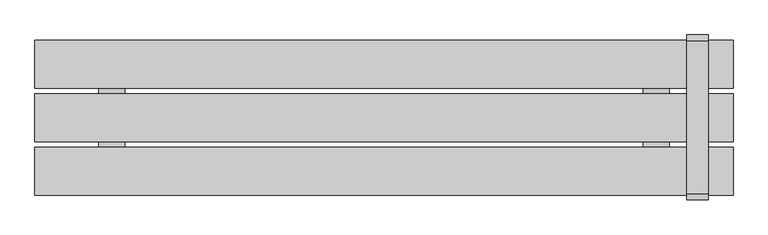
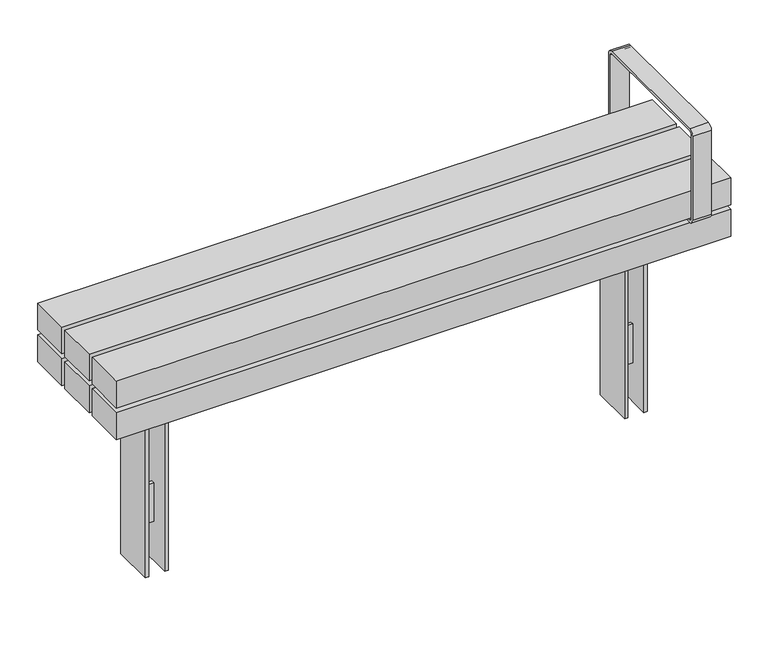
"""IFC4 building model written with IfcOpenShell, lengths in millimetres: furniture geometry."""

import ifcopenshell
import ifcopenshell.guid

model = None  # the IFC model being written
_history = None  # IfcOwnerHistory: only IFC2X3 demands one
_inside = {}  # id of a spatial element -> (the spatial element, [elements in it])
_under = {}  # id of a project, library or spatial element -> (it, [spatial elements below it])
_declared = {}  # id of a project -> (the project, [libraries it declares])
_typed = {}  # id of a type object -> (the type object, [elements of that type])
_made_of = {}  # id of a material, layer set ... -> (it, [elements and type objects made of it])


def new_model(schema):
    """Start an empty IFC model of exactly this schema.

    Asked for "IFC4X3", IfcOpenShell would pick the latest addendum, in which some entities
    have other attributes; the version numbers below select the first issue.
    IFC2X3 requires an IfcOwnerHistory on every rooted entity: one is made here for all.
    """
    global model, _history
    if schema == "IFC4X3":
        model = ifcopenshell.file(schema_version=(4, 3, 0, 0))
    else:
        model = ifcopenshell.file(schema=schema)
    _inside.clear()
    _under.clear()
    _declared.clear()
    _typed.clear()
    _made_of.clear()
    _history = None
    if model.schema == "IFC2X3":
        org = make("IfcOrganization", Name="unknown")
        user = make(
            "IfcPersonAndOrganization",
            ThePerson=make("IfcPerson", FamilyName="unknown"),
            TheOrganization=org,
        )
        app = make(
            "IfcApplication",
            ApplicationDeveloper=org,
            Version="unknown",
            ApplicationFullName="unknown",
            ApplicationIdentifier="unknown",
        )
        _history = make(
            "IfcOwnerHistory",
            OwningUser=user,
            OwningApplication=app,
            ChangeAction="ADDED",
            CreationDate=0,
        )
    return model


def make(cls, **values):
    """One entity of the class cls with the attributes given. An attribute that is None is left unset."""
    return model.create_entity(
        cls, **{name: value for name, value in values.items() if value is not None}
    )


def rooted(cls, **values):
    """An entity with a GlobalId (a new one), such as an element, a storey or a relation."""
    return make(cls, GlobalId=ifcopenshell.guid.new(), OwnerHistory=_history, **values)


def si_unit(unit_type, name, prefix=None):
    """IfcSIUnit, for example si_unit("LENGTHUNIT", "METRE", prefix="MILLI")."""
    return make("IfcSIUnit", UnitType=unit_type, Prefix=prefix, Name=name)


def assignment(units):
    """IfcUnitAssignment: the units of a project."""
    return None if units is None else make("IfcUnitAssignment", Units=units)


def point(xyz):
    """IfcCartesianPoint."""
    return None if xyz is None else make("IfcCartesianPoint", Coordinates=xyz)


def direction(xyz):
    """IfcDirection."""
    return None if xyz is None else make("IfcDirection", DirectionRatios=xyz)


def frame(location, z_axis=None, x_axis=None):
    """IfcAxis2Placement3D, a coordinate frame: its origin and axes. An axis left out is left unset."""
    return make(
        "IfcAxis2Placement3D",
        Location=point(location),
        Axis=direction(z_axis),
        RefDirection=direction(x_axis),
    )


def frame_2d(location, x_axis=None):
    """IfcAxis2Placement2D, a coordinate frame in the plane: its origin and x axis."""
    return make(
        "IfcAxis2Placement2D", Location=point(location), RefDirection=direction(x_axis)
    )


def origin():
    """The frame at (0, 0, 0) with its axes left unset."""
    return frame((0.0, 0.0, 0.0))


def place(relative_to, where):
    """IfcLocalPlacement: puts the frame where relative to a parent placement (None: the world)."""
    return make(
        "IfcLocalPlacement", PlacementRelTo=relative_to, RelativePlacement=where
    )


def context(
    kind, dimensions, precision=None, world=None, true_north=None, identifier=None
):
    """IfcGeometricRepresentationContext, for example the 3D "Model" context."""
    return make(
        "IfcGeometricRepresentationContext",
        ContextIdentifier=identifier,
        ContextType=kind,
        CoordinateSpaceDimension=dimensions,
        Precision=precision,
        WorldCoordinateSystem=world,
        TrueNorth=true_north,
    )


def project(units=None, contexts=None):
    """IfcProject with its units and contexts."""
    return rooted(
        "IfcProject",
        Name="project",
        RepresentationContexts=contexts,
        UnitsInContext=assignment(units),
    )


def spatial(cls, under=None, at=None, **own):
    """A site, building, storey or space (cls), placed at a placement, below another one or the project."""
    s = rooted(cls, ObjectPlacement=at, **own)
    if under is not None:
        _under.setdefault(under.id(), (under, []))[1].append(s)
    return s


def polyline(points):
    """IfcPolyline through the points."""
    return make("IfcPolyline", Points=[point(p) for p in points])


def circle_curve(where, radius):
    """IfcCircle in the frame where."""
    return make("IfcCircle", Position=where, Radius=radius)


def trimmed(basis, trim1, trim2, sense, master):
    """IfcTrimmedCurve: the piece of a basis curve between two trims."""
    return make(
        "IfcTrimmedCurve",
        BasisCurve=basis,
        Trim1=trim1,
        Trim2=trim2,
        SenseAgreement=sense,
        MasterRepresentation=master,
    )


def segment(curve, same_sense, transition):
    """IfcCompositeCurveSegment."""
    return make(
        "IfcCompositeCurveSegment",
        Transition=transition,
        SameSense=same_sense,
        ParentCurve=curve,
    )


def composite_curve(segments, self_intersect=None):
    """IfcCompositeCurve: segments joined end to end."""
    return make("IfcCompositeCurve", Segments=segments, SelfIntersect=self_intersect)


def outline(outer, holes=None, kind="AREA"):
    """IfcArbitraryClosedProfileDef: a profile drawn as a closed curve; with holes, ...WithVoids."""
    if holes is None:
        return make("IfcArbitraryClosedProfileDef", ProfileType=kind, OuterCurve=outer)
    return make(
        "IfcArbitraryProfileDefWithVoids",
        ProfileType=kind,
        OuterCurve=outer,
        InnerCurves=holes,
    )


def extrude(swept, where, along, depth):
    """IfcExtrudedAreaSolid: the profile swept, set in the frame where, extruded along a direction by depth."""
    return make(
        "IfcExtrudedAreaSolid",
        SweptArea=swept,
        Position=where,
        ExtrudedDirection=direction(along),
        Depth=depth,
    )


def faces_of(points, faces, orient=None, outer=None):
    """IfcFace entities. A face is a list of loops; a loop is a list of indices into points, from 0.

    orient and outer hold one flag for each loop. By default every Orientation is true, the
    first loop of a face is its IfcFaceOuterBound and the others are IfcFaceBound.
    """
    made = []
    for i, loops in enumerate(faces):
        bounds = []
        for j, loop in enumerate(loops):
            is_outer = j == 0 if outer is None else outer[i][j]
            bounds.append(
                make(
                    "IfcFaceOuterBound" if is_outer else "IfcFaceBound",
                    Bound=make("IfcPolyLoop", Polygon=[points[k] for k in loop]),
                    Orientation=True if orient is None else orient[i][j],
                )
            )
        made.append(make("IfcFace", Bounds=bounds))
    return made


def faceted_brep(points, faces, orient=None, outer=None, voids=None):
    """IfcFacetedBrep: a solid bounded by flat faces; with voids (closed shells), ...WithVoids."""
    shared = [point(p) for p in points]
    hull = make("IfcClosedShell", CfsFaces=faces_of(shared, faces, orient, outer))
    if voids is None:
        return make("IfcFacetedBrep", Outer=hull)
    return make(
        "IfcFacetedBrepWithVoids",
        Outer=hull,
        Voids=[
            make(cls, CfsFaces=faces_of(shared, fs, o, b)) for cls, fs, o, b in voids
        ],
    )


def shape(context_of_items, identifier, shape_type, items):
    """IfcShapeRepresentation: the items that make up one representation, for example the "Body"."""
    return make(
        "IfcShapeRepresentation",
        ContextOfItems=context_of_items,
        RepresentationIdentifier=identifier,
        RepresentationType=shape_type,
        Items=items,
    )


def source(mapping_origin, context_of_items, identifier, shape_type, items):
    """IfcRepresentationMap: a shape defined once, which mapped items show again and again."""
    return make(
        "IfcRepresentationMap",
        MappingOrigin=mapping_origin,
        MappedRepresentation=shape(context_of_items, identifier, shape_type, items),
    )


def transform(
    local_origin,
    x_axis=None,
    y_axis=None,
    z_axis=None,
    scale=None,
    scale2=None,
    scale3=None,
    uniform=True,
):
    """IfcCartesianTransformationOperator3D, or its non-uniform kind. x_axis, y_axis, z_axis: its Axis1, 2, 3."""
    if uniform:
        return make(
            "IfcCartesianTransformationOperator3D",
            Axis1=direction(x_axis),
            Axis2=direction(y_axis),
            LocalOrigin=point(local_origin),
            Scale=scale,
            Axis3=direction(z_axis),
        )
    return make(
        "IfcCartesianTransformationOperator3DnonUniform",
        Axis1=direction(x_axis),
        Axis2=direction(y_axis),
        LocalOrigin=point(local_origin),
        Scale=scale,
        Axis3=direction(z_axis),
        Scale2=scale2,
        Scale3=scale3,
    )


def mapped(mapping_source, mapping_target):
    """IfcMappedItem: shows the shape of a source again, moved by a transform."""
    return make(
        "IfcMappedItem", MappingSource=mapping_source, MappingTarget=mapping_target
    )


def made_of(thing, what):
    """Note that an element or type object is made of a material, layer set ...; save() writes the relation."""
    if what is not None:
        _made_of.setdefault(what.id(), (what, []))[1].append(thing)
    return thing


def element(
    cls,
    number,
    at=None,
    inside=None,
    cuts=None,
    type_object=None,
    material=None,
    context=None,
    identifier="Body",
    shape_type=None,
    held_by="IfcProductDefinitionShape",
    body=None,
    shapes=None,
    **own,
):
    """One element of the class cls, such as IfcWall. Its Tag is "e" and its number.

    at: its placement. inside: the storey or other place that contains it. cuts: it is an
    opening in that element (IfcRelVoidsElement). A single representation is given by context,
    identifier, shape_type and body (its items); several are given by shapes. held_by: the class
    of the entity that holds the representations. save() writes the other relations.
    """
    e = rooted(cls, Tag="e%d" % number, ObjectPlacement=at, **own)
    if body is not None:
        shapes = [shape(context, identifier, shape_type, body)]
    if shapes is not None:
        e.Representation = make(held_by, Representations=shapes)
    if inside is not None:
        _inside.setdefault(inside.id(), (inside, []))[1].append(e)
    if cuts is not None:
        rooted(
            "IfcRelVoidsElement", RelatingBuildingElement=cuts, RelatedOpeningElement=e
        )
    if type_object is not None:
        _typed.setdefault(type_object.id(), (type_object, []))[1].append(e)
    return made_of(e, material)


def aggregate(whole, parts):
    """IfcRelAggregates: a whole, such as a stair, and the parts it consists of."""
    return rooted("IfcRelAggregates", RelatingObject=whole, RelatedObjects=parts)


def save(model, path):
    """Write the relations noted so far, then the file.

    IfcRelAggregates (storeys below a building ...), IfcRelContainedInSpatialStructure (elements
    in a storey), IfcRelDefinesByType, IfcRelAssociatesMaterial and IfcRelDeclares: one each for
    every whole, place, type object, material and project.
    """
    for whole, parts in _under.values():
        aggregate(whole, parts)
    for where, things in _inside.values():
        rooted(
            "IfcRelContainedInSpatialStructure",
            RelatedElements=things,
            RelatingStructure=where,
        )
    for kind, things in _typed.values():
        rooted("IfcRelDefinesByType", RelatedObjects=things, RelatingType=kind)
    for what, things in _made_of.values():
        rooted("IfcRelAssociatesMaterial", RelatedObjects=things, RelatingMaterial=what)
    for by, libraries in _declared.values():
        rooted("IfcRelDeclares", RelatingContext=by, RelatedDefinitions=libraries)
    model.write(path)


def furniture_02e36af1(model_context):
    return source(origin(), model_context, "Body", "SolidModel", [
        faceted_brep([(-678.5975006, -5.0, -60.0), (-725.6380966, -5.0, -60.0), (-725.6380966, -5.0, -180.0), (-678.5975006, -5.0, -180.0), (-678.5975006, 5.0, -180.0), (-725.6380966, 5.0, -180.0), (-725.6380966, 5.0, -60.0), (-678.5975006, 5.0, -60.0), (-785.6380966, -61.5083224, 258.7167987), (-735.6380966, -61.5083224, 258.7167987), (-735.6380966, -61.5083224, -300.0), (-725.6380966, -61.5083224, -300.0), (-725.6380966, -61.5083224, 268.7167987), (-785.6380966, -61.5083224, 268.7167987), (-618.5975006, -61.5083224, 258.7167987), (-618.5975006, -61.5083224, 268.7167987), (-678.5975006, -61.5083224, 268.7167987), (-678.5975006, -61.5083224, -300.0), (-668.5975006, -61.5083224, -300.0), (-668.5975006, -61.5083224, 258.7167987), (-618.5975006, 61.5083654, 258.7167987), (-668.5975006, 61.5083654, 258.7167987), (-668.5975006, 61.5083654, -300.0), (-678.5975006, 61.5083654, -300.0), (-678.5975006, 61.5083654, 268.7167987), (-618.5975006, 61.5083654, 268.7167987), (-785.6380966, 61.5083654, 258.7167987), (-785.6380966, 61.5083654, 268.7167987), (-725.6380966, 61.5083654, 268.7167987), (-725.6380966, 61.5083654, -300.0), (-735.6380966, 61.5083654, -300.0), (-735.6380966, 61.5083654, 258.7167987)], [[[0, 1, 2, 3]], [[4, 5, 6, 7]], [[1, 0, 7, 6]], [[3, 2, 5, 4]], [[8, 9, 10, 11, 12, 13]], [[14, 15, 16, 17, 18, 19]], [[20, 21, 22, 23, 24, 25]], [[26, 27, 28, 29, 30, 31]], [[9, 8, 26, 31]], [[10, 9, 31, 30]], [[19, 18, 22, 21]], [[14, 19, 21, 20]], [[15, 14, 20, 25]], [[16, 15, 25, 24]], [[17, 16, 24, 23], [0, 3, 4, 7]], [[12, 11, 29, 28], [2, 1, 6, 5]], [[13, 12, 28, 27]], [[8, 13, 27, 26]], [[11, 10, 30, 29]], [[18, 17, 23, 22]]]),
        faceted_brep([(725.6380966, -5.0, -60.0), (678.5975006, -5.0, -60.0), (678.5975006, -5.0, -180.0), (725.6380966, -5.0, -180.0), (725.6380966, 5.0, -180.0), (678.5975006, 5.0, -180.0), (678.5975006, 5.0, -60.0), (725.6380966, 5.0, -60.0), (785.6380966, -61.5083224, 258.7167987), (785.6380966, -61.5083224, 268.7167987), (725.6380966, -61.5083224, 268.7167987), (725.6380966, -61.5083224, -300.0), (735.6380966, -61.5083224, -300.0), (735.6380966, -61.5083224, 258.7167987), (618.5975006, -61.5083224, 258.7167987), (668.5975006, -61.5083224, 258.7167987), (668.5975006, -61.5083224, -300.0), (678.5975006, -61.5083224, -300.0), (678.5975006, -61.5083224, 268.7167987), (618.5975006, -61.5083224, 268.7167987), (785.6380966, 61.5083654, 258.7167987), (735.6380966, 61.5083654, 258.7167987), (735.6380966, 61.5083654, -300.0), (725.6380966, 61.5083654, -300.0), (725.6380966, 61.5083654, 268.7167987), (785.6380966, 61.5083654, 268.7167987), (618.5975006, 61.5083654, 258.7167987), (618.5975006, 61.5083654, 268.7167987), (678.5975006, 61.5083654, 268.7167987), (678.5975006, 61.5083654, -300.0), (668.5975006, 61.5083654, -300.0), (668.5975006, 61.5083654, 258.7167987)], [[[0, 1, 2, 3]], [[4, 5, 6, 7]], [[1, 0, 7, 6]], [[3, 2, 5, 4]], [[8, 9, 10, 11, 12, 13]], [[14, 15, 16, 17, 18, 19]], [[20, 21, 22, 23, 24, 25]], [[26, 27, 28, 29, 30, 31]], [[9, 8, 20, 25]], [[10, 9, 25, 24]], [[11, 10, 24, 23], [0, 3, 4, 7]], [[12, 11, 23, 22]], [[13, 12, 22, 21]], [[8, 13, 21, 20]], [[15, 14, 26, 31]], [[16, 15, 31, 30]], [[17, 16, 30, 29]], [[18, 17, 29, 28], [2, 1, 6, 5]], [[19, 18, 28, 27]], [[14, 19, 27, 26]]]),
        extrude(outline(polyline([(351.8217453, 900.0000373), (351.8217453, -900.0), (268.7167987, -900.0), (268.7167987, 900.0000373), (351.8217453, 900.0000373)]), holes=[polyline([(339.8217453, -888.0), (339.8217453, 888.0), (280.7167987, 888.0), (280.7167987, -888.0), (339.8217453, -888.0)])]), frame((0.0, -61.5000218, 0.0), z_axis=(0.0, 1.0, 0.0), x_axis=(0.0, 0.0, 1.0)), (0.0, 0.0, 1.0), 123.0000435),
        extrude(outline(composite_curve([segment(polyline([(198.4124417, 351.8217453), (-196.5875583, 351.8217453)]), True, "CONTINUOUS"), segment(trimmed(circle_curve(frame_2d((-196.5875583, 366.8217453)), 15.0), [point((-196.5875583, 351.8217453))], [point((-211.5875583, 366.8217453))], False, "CARTESIAN"), True, "CONTINUOUS"), segment(polyline([(-211.5875583, 366.8217453), (-211.5875583, 626.8217453)]), True, "CONTINUOUS"), segment(trimmed(circle_curve(frame_2d((-196.5875583, 626.8217453)), 15.0), [point((-211.5875583, 626.8217453))], [point((-196.5875583, 641.8217453))], False, "CARTESIAN"), True, "CONTINUOUS"), segment(polyline([(-196.5875583, 641.8217453), (198.4124417, 641.8217453)]), True, "CONTINUOUS"), segment(trimmed(circle_curve(frame_2d((198.4124417, 626.8217453)), 15.0), [point((198.4124417, 641.8217453))], [point((213.4124417, 626.8217453))], False, "CARTESIAN"), True, "CONTINUOUS"), segment(polyline([(213.4124417, 626.8217453), (213.4124417, 366.8217453)]), True, "CONTINUOUS"), segment(trimmed(circle_curve(frame_2d((198.4124417, 366.8217453)), 15.0), [point((213.4124417, 366.8217453))], [point((198.4124417, 351.8217453))], False, "CARTESIAN"), True, "CONTINUOUS")], self_intersect=False), holes=[composite_curve([segment(trimmed(circle_curve(frame_2d((-196.5875583, 366.8217453)), 6.5), [point((-203.0875583, 366.8217453))], [point((-196.5875583, 360.3217453))], True, "CARTESIAN"), True, "CONTINUOUS"), segment(polyline([(-196.5875583, 360.3217453), (198.4124417, 360.3217453)]), True, "CONTINUOUS"), segment(trimmed(circle_curve(frame_2d((198.4124417, 366.8217453)), 6.5), [point((198.4124417, 360.3217453))], [point((204.9124417, 366.8217453))], True, "CARTESIAN"), True, "CONTINUOUS"), segment(polyline([(204.9124417, 366.8217453), (204.9124417, 626.8217453)]), True, "CONTINUOUS"), segment(trimmed(circle_curve(frame_2d((198.4124417, 626.8217453)), 6.5), [point((204.9124417, 626.8217453))], [point((198.4124417, 633.3217453))], True, "CARTESIAN"), True, "CONTINUOUS"), segment(polyline([(198.4124417, 633.3217453), (-196.5875583, 633.3217453)]), True, "CONTINUOUS"), segment(trimmed(circle_curve(frame_2d((-196.5875583, 626.8217453)), 6.5), [point((-196.5875583, 633.3217453))], [point((-203.0875583, 626.8217453))], True, "CARTESIAN"), True, "CONTINUOUS"), segment(polyline([(-203.0875583, 626.8217453), (-203.0875583, 366.8217453)]), True, "CONTINUOUS")], self_intersect=False)]), frame((781.1291871, 0.0, 0.0), z_axis=(1.0, 0.0, 0.0), x_axis=(0.0, 1.0, 0.0)), (0.0, 0.0, 1.0), 55.0),
        extrude(outline(polyline([(900.0, -76.5174894), (900.0, -199.5174894), (-900.0, -199.5174894), (-900.0, -76.5174894), (900.0, -76.5174894)])), frame((0.0, 0.0, 366.8258682), z_axis=(0.0, 0.0, 1.0), x_axis=(1.0, 0.0, 0.0)), (0.0, 0.0, 1.0), 83.1049466),
        extrude(outline(polyline([(900.0, 61.4888479), (900.0, -61.5111521), (-900.0, -61.5111521), (-900.0, 61.4888479), (900.0, 61.4888479)])), frame((0.0, 0.0, 366.8258682), z_axis=(0.0, 0.0, 1.0), x_axis=(1.0, 0.0, 0.0)), (0.0, 0.0, 1.0), 83.1049466),
        extrude(outline(polyline([(900.0, 199.4999782), (900.0, 76.4999782), (-900.0, 76.4999782), (-900.0, 199.4999782), (900.0, 199.4999782)])), frame((0.0, 0.0, 366.8258682), z_axis=(0.0, 0.0, 1.0), x_axis=(1.0, 0.0, 0.0)), (0.0, 0.0, 1.0), 83.1049466),
        extrude(outline(polyline([(900.0, -76.5174894), (900.0, -199.5174894), (-900.0, -199.5174894), (-900.0, -76.5174894), (900.0, -76.5174894)])), frame((0.0, 0.0, 268.7167987), z_axis=(0.0, 0.0, 1.0), x_axis=(1.0, 0.0, 0.0)), (0.0, 0.0, 1.0), 83.1049466),
        extrude(outline(polyline([(900.0, 199.4999782), (900.0, 76.4999782), (-900.0, 76.4999782), (-900.0, 199.4999782), (900.0, 199.4999782)])), frame((0.0, 0.0, 268.7167987), z_axis=(0.0, 0.0, 1.0), x_axis=(1.0, 0.0, 0.0)), (0.0, 0.0, 1.0), 83.1049466),
        extrude(outline(polyline([(735.4649994, -171.2111197), (668.4244034, -171.2111197), (668.4244034, 168.7288553), (735.4649994, 168.7288553), (735.4649994, -171.2111197)])), frame((0.0, 0.0, 351.8217453), z_axis=(0.0, 0.0, 1.0), x_axis=(1.0, 0.0, 0.0)), (0.0, 0.0, 1.0), 15.004123),
        extrude(outline(polyline([(-668.5975006, -171.2111197), (-735.6380966, -171.2111197), (-735.6380966, 168.7288553), (-668.5975006, 168.7288553), (-668.5975006, -171.2111197)])), frame((0.0, 0.0, 351.8217453), z_axis=(0.0, 0.0, 1.0), x_axis=(1.0, 0.0, 0.0)), (0.0, 0.0, 1.0), 15.004123),
    ])


if __name__ == "__main__":
    model = new_model("IFC4")
    model_context = context("Model", 3, world=origin())
    ifc_project = project(units=[si_unit("LENGTHUNIT", "METRE", prefix="MILLI")], contexts=[model_context])
    site = spatial("IfcSite", under=ifc_project)
    building = spatial("IfcBuilding", under=site)
    placement = place(None, origin())
    furniture_shape = furniture_02e36af1(model_context)
    element("IfcFurniture", 1, at=placement, inside=building, context=model_context, shape_type="MappedRepresentation", body=[
        mapped(furniture_shape, transform((0.0, 0.0, 0.0), x_axis=(1.0, 0.0, 0.0), y_axis=(0.0, 1.0, 0.0), z_axis=(0.0, 0.0, 1.0))),
    ])
    save(model, "model.ifc")
